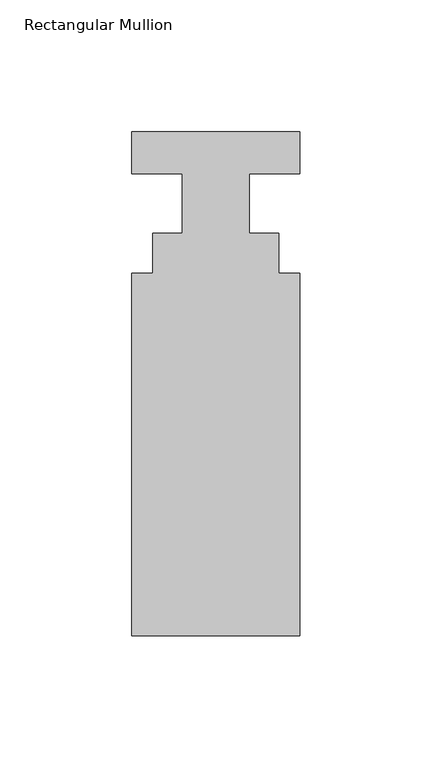
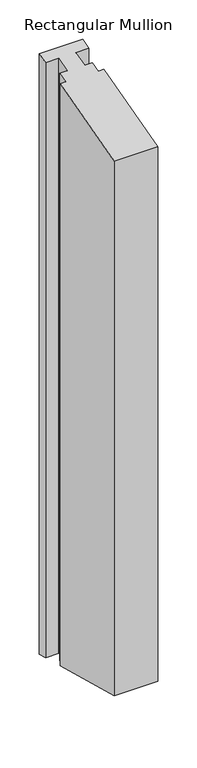
"""IFC4 building model written with IfcOpenShell, lengths in millimetres: member geometry, Rectangular Mullion."""

from ifc_helpers import new_model, si_unit, origin, place, context, project, spatial, faceted_brep, source, transform, mapped, element, save


def rectangular_mullion_cea983ef(model_context):
    return source(origin(), model_context, "Body", "Brep", [
        faceted_brep([(-31.75, 20.7922812, 5.571275), (31.75, 20.7922812, 5.571275), (31.75, 20.7922812, -926.4895159), (-31.75, 20.7922812, -926.4895159), (-31.75, 4.9172812, 1.3175815), (-31.75, 4.9172812, -922.2358225), (-12.7, 4.9172812, 1.3175815), (-12.7, 4.9172812, -922.2358225), (-12.7, -17.5617188, -4.7056484), (-12.7, -17.5617188, -916.2125926), (-23.8252, -17.5617187, -4.7056484), (-23.8252, -17.5617187, -916.2125926), (-23.8252, -32.6239187, -8.7415527), (-23.8252, -32.6239187, -912.1766883), (-31.75, -32.6239187, -8.7415527), (-31.75, -32.6239187, -912.1766883), (-31.75, -169.9617188, -45.5411053), (-31.75, -169.9617188, -875.3771357), (31.75, -169.9617188, -45.5411053), (31.75, -169.9617188, -875.3771357), (31.75, -32.6239187, -8.7415527), (31.75, -32.6239187, -912.1766883), (23.8252, -32.6239187, -8.7415527), (23.8252, -32.6239187, -912.1766883), (23.8252, -17.5617188, -4.7056484), (23.8252, -17.5617188, -916.2125926), (12.7, -17.5617187, -4.7056484), (12.7, -17.5617187, -916.2125926), (12.7, 4.9172812, 1.3175815), (12.7, 4.9172812, -922.2358225), (31.75, 4.9172812, 1.3175815), (31.75, 4.9172812, -922.2358225)], [[[0, 1, 2, 3]], [[4, 0, 3, 5]], [[6, 4, 5, 7]], [[8, 6, 7, 9]], [[10, 8, 9, 11]], [[12, 10, 11, 13]], [[14, 12, 13, 15]], [[16, 14, 15, 17]], [[18, 16, 17, 19]], [[20, 18, 19, 21]], [[22, 20, 21, 23]], [[24, 22, 23, 25]], [[26, 24, 25, 27]], [[28, 26, 27, 29]], [[30, 28, 29, 31]], [[1, 30, 31, 2]], [[1, 0, 4, 6, 8, 10, 12, 14, 16, 18, 20, 22, 24, 26, 28, 30]], [[2, 31, 29, 27, 25, 23, 21, 19, 17, 15, 13, 11, 9, 7, 5, 3]]]),
    ])


if __name__ == "__main__":
    model = new_model("IFC4")
    model_context = context("Model", 3, world=origin())
    ifc_project = project(units=[si_unit("LENGTHUNIT", "METRE", prefix="MILLI")], contexts=[model_context])
    site = spatial("IfcSite", under=ifc_project)
    building = spatial("IfcBuilding", under=site)
    placement = place(None, origin())
    rectangular_mullion_shape = rectangular_mullion_cea983ef(model_context)
    element("IfcMember", 1, ObjectType="Rectangular Mullion", at=placement, inside=building, context=model_context, shape_type="MappedRepresentation", body=[
        mapped(rectangular_mullion_shape, transform((0.0, 0.0, 0.0), x_axis=(1.0, 0.0, 0.0), y_axis=(0.0, 1.0, 0.0), z_axis=(0.0, 0.0, 1.0))),
    ])
    save(model, "model.ifc")
